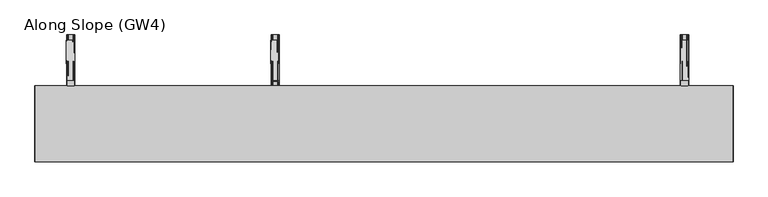
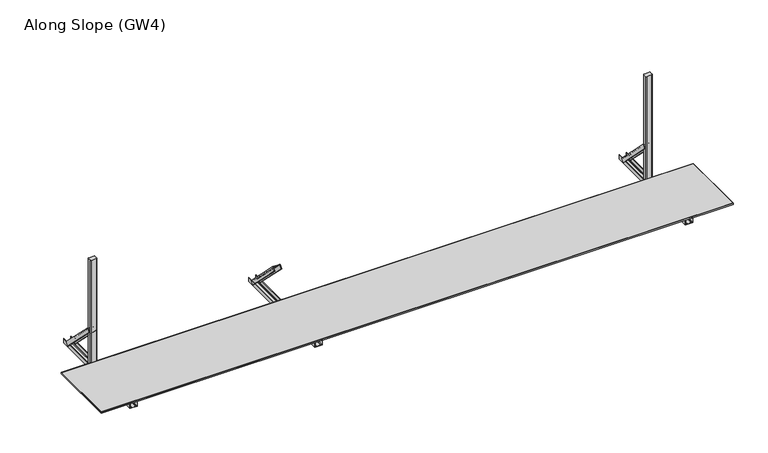
"""IFC4 building model written with IfcOpenShell, lengths in millimetres: proxy geometry, Along Slope (GW4)."""

from ifc_helpers import new_model, si_unit, point, frame, frame_2d, origin, origin_with_axes, place, context, project, spatial, polyline, circle_curve, trimmed, segment, composite_curve, outline, extrude, source, transform, mapped, element, save
from ifc_brep_helpers import plane_surface, extruded_surface, advanced_brep


def along_slope_gw4_51be6fbc(model_context):
    return source(origin(), model_context, "Body", "SolidModel", [
        advanced_brep(
        [(1857.1666667, 956.2087394, 38.0000002), (1922.1666667, 956.2087394, 38.0000002), (1922.1666667, 930.3993419, 12.1906027), (1919.1666667, 930.3993419, 12.1906027), (1919.1666667, 954.0874191, 35.8786799), (1909.1666667, 954.0874191, 35.8786799), (1909.1666667, 952.3196521, 34.110913), (1908.1666667, 952.3196521, 34.110913), (1908.1666667, 954.0874191, 35.8786799), (1871.1666667, 954.0874191, 35.8786799), (1871.1666667, 952.3196521, 34.110913), (1870.1666667, 952.3196521, 34.110913), (1870.1666667, 954.0874191, 35.8786799), (1860.1666667, 954.0874191, 35.8786799), (1860.1666667, 930.3993419, 12.1906027), (1857.1666667, 930.3993419, 12.1906027), (1860.1666667, 638.0106879, 356.1980518), (1860.1666667, 612.2012904, 330.3886543), (1863.1666667, 612.2012904, 330.3886543), (1863.1666667, 635.8893676, 354.0767314), (1873.1666667, 635.8893676, 354.0767314), (1873.1666667, 634.1216006, 352.3089645), (1874.1666667, 634.1216006, 352.3089645), (1874.1666667, 635.8893676, 354.0767314), (1911.1666667, 635.8893676, 354.0767314), (1911.1666667, 634.1216006, 352.3089645), (1912.1666667, 634.1216006, 352.3089645), (1912.1666667, 635.8893676, 354.0767314), (1922.1666667, 635.8893676, 354.0767314), (1922.1666667, 612.2012904, 330.3886543), (1925.1666667, 612.2012904, 330.3886543), (1925.1666667, 638.0106879, 356.1980518)],
        [
            (0, 1),
            (1, 2),
            (2, 3, circle_curve(frame((1920.6666667, 930.3993419, 12.1906027), z_axis=(0.0, 0.7071067811865434, -0.7071067811865518), x_axis=(0.0, -0.7071067811865518, -0.7071067811865434)), 1.5)),
            (3, 4),
            (4, 5),
            (5, 6),
            (6, 7, circle_curve(frame((1908.6666667, 952.3196521, 34.110913), z_axis=(0.0, 0.7071067811865434, -0.7071067811865518), x_axis=(0.0, -0.7071067811865518, -0.7071067811865434)), 0.5)),
            (7, 8),
            (8, 9),
            (9, 10),
            (10, 11, circle_curve(frame((1870.6666667, 952.3196521, 34.110913), z_axis=(0.0, 0.7071067811865434, -0.7071067811865518), x_axis=(0.0, -0.7071067811865518, -0.7071067811865434)), 0.5)),
            (11, 12),
            (12, 13),
            (13, 14),
            (14, 15, circle_curve(frame((1858.6666667, 930.3993419, 12.1906027), z_axis=(0.0, 0.7071067811865434, -0.7071067811865518), x_axis=(0.0, -0.7071067811865518, -0.7071067811865434)), 1.5)),
            (15, 0),
            (16, 17),
            (17, 18, circle_curve(frame((1861.6666667, 612.2012904, 330.3886543), z_axis=(0.0, -0.7071067811865434, 0.7071067811865518), x_axis=(0.0, -0.7071067811865518, -0.7071067811865434)), 1.5)),
            (18, 19),
            (19, 20),
            (20, 21),
            (21, 22, circle_curve(frame((1873.6666667, 634.1216006, 352.3089645), z_axis=(0.0, -0.7071067811865434, 0.7071067811865518), x_axis=(0.0, -0.7071067811865518, -0.7071067811865434)), 0.5)),
            (22, 23),
            (23, 24),
            (24, 25),
            (25, 26, circle_curve(frame((1911.6666667, 634.1216006, 352.3089645), z_axis=(0.0, -0.7071067811865434, 0.7071067811865518), x_axis=(0.0, -0.7071067811865518, -0.7071067811865434)), 0.5)),
            (26, 27),
            (27, 28),
            (28, 29),
            (29, 30, circle_curve(frame((1923.6666667, 612.2012904, 330.3886543), z_axis=(0.0, -0.7071067811865434, 0.7071067811865518), x_axis=(0.0, -0.7071067811865518, -0.7071067811865434)), 1.5)),
            (30, 31),
            (31, 16),
            (16, 0),
            (15, 17),
            (14, 18),
            (13, 19),
            (12, 20),
            (11, 21),
            (10, 22),
            (9, 23),
            (8, 24),
            (7, 25),
            (6, 26),
            (5, 27),
            (4, 28),
            (3, 29),
            (2, 30),
            (1, 31),
        ],
        [
            plane_surface(frame((1889.6666667, 947.9886231, 29.7798839), z_axis=(0.0, 0.7071067811865431, -0.7071067811865519), x_axis=(0.0, -0.7071067811865519, -0.7071067811865431))),
            plane_surface(frame((1892.6666667, 629.7905716, 347.9779354), z_axis=(0.0, -0.7071067811865432, 0.7071067811865518), x_axis=(0.0, -0.7071067811865518, -0.7071067811865432))),
            plane_surface(frame((1860.1666667, 625.1059891, 343.293353), z_axis=(-0.9999777785184911, -0.004713940454842056, 0.00471394045484199), x_axis=(0.0, -0.7071067811865519, -0.7071067811865431))),
            extruded_surface(trimmed(circle_curve(frame((1858.6666667, 930.3993419, 12.1906027), z_axis=(0.0, -0.7071067811865434, 0.7071067811865518), x_axis=(0.0, -0.7071067811865518, -0.7071067811865434)), 1.5), [point((1857.1666667, 930.3993419, 12.1906027))], [point((1860.1666667, 930.3993419, 12.1906027))], True, "CARTESIAN"), (3.0, -318.1980515, 318.1980516), 450.0099999115941),
            plane_surface(frame((1863.1666667, 624.045329, 342.2326929), z_axis=(0.9999777785184913, 0.004713940454842056, -0.004713940454841989), x_axis=(0.0, 0.707106781186552, 0.7071067811865432))),
            plane_surface(frame((1868.1666667, 635.8893676, 354.0767314), z_axis=(0.0, -0.7071067811865522, -0.7071067811865428), x_axis=(1.0, 0.0, 0.0))),
            plane_surface(frame((1873.1666667, 635.0054841, 353.192848), z_axis=(-0.9999777785184911, -0.004713940454842032, 0.004713940454842015), x_axis=(0.0, -0.7071067811865557, -0.7071067811865394))),
            extruded_surface(trimmed(circle_curve(frame((1870.6666667, 952.3196521, 34.110913), z_axis=(0.0, -0.7071067811865434, 0.7071067811865518), x_axis=(0.0, -0.7071067811865518, -0.7071067811865434)), 0.5), [point((1870.1666667, 952.3196521, 34.110913))], [point((1871.1666667, 952.3196521, 34.110913))], True, "CARTESIAN"), (3.0, -318.1980515, 318.1980515), 450.00999984088503),
            plane_surface(frame((1874.1666667, 635.0054841, 353.192848), z_axis=(0.9999777785184911, 0.004713940454842046, -0.004713940454842029), x_axis=(0.0, 0.7071067811865557, 0.7071067811865394))),
            plane_surface(frame((1892.6666667, 635.8893676, 354.0767314), z_axis=(0.0, -0.7071067811865522, -0.7071067811865428), x_axis=(1.0, 0.0, 0.0))),
            plane_surface(frame((1911.1666667, 635.0054841, 353.192848), z_axis=(-0.9999777785184911, -0.004713940454842039, 0.004713940454842022), x_axis=(0.0, -0.7071067811865557, -0.7071067811865394))),
            extruded_surface(trimmed(circle_curve(frame((1908.6666667, 952.3196521, 34.110913), z_axis=(0.0, -0.7071067811865434, 0.7071067811865518), x_axis=(0.0, -0.7071067811865518, -0.7071067811865434)), 0.5), [point((1908.1666667, 952.3196521, 34.110913))], [point((1909.1666667, 952.3196521, 34.110913))], True, "CARTESIAN"), (3.0, -318.1980515, 318.1980515), 450.00999984088503),
            plane_surface(frame((1912.1666667, 635.0054841, 353.192848), z_axis=(0.9999777785184911, 0.004713940454842066, -0.004713940454841993), x_axis=(0.0, 0.7071067811865515, 0.7071067811865436))),
            plane_surface(frame((1917.1666667, 635.8893676, 354.0767314), z_axis=(0.0, -0.707106781186552, -0.707106781186543), x_axis=(1.0, 0.0, 0.0))),
            plane_surface(frame((1922.1666667, 624.045329, 342.2326929), z_axis=(-0.9999777785184913, -0.004713940454842063, 0.004713940454841996), x_axis=(0.0, -0.707106781186552, -0.7071067811865432))),
            extruded_surface(trimmed(circle_curve(frame((1920.6666667, 930.3993419, 12.1906027), z_axis=(0.0, -0.7071067811865434, 0.7071067811865518), x_axis=(0.0, -0.7071067811865518, -0.7071067811865434)), 1.5), [point((1919.1666667, 930.3993419, 12.1906027))], [point((1922.1666667, 930.3993419, 12.1906027))], True, "CARTESIAN"), (3.0, -318.1980515, 318.1980516), 450.0099999115941),
            plane_surface(frame((1925.1666667, 625.1059891, 343.293353), z_axis=(0.9999777785184911, 0.004713940454842065, -0.0047139404548419955), x_axis=(0.0, 0.7071067811865517, 0.7071067811865434))),
            plane_surface(frame((1892.6666667, 638.0106879, 356.1980518), z_axis=(0.0, 0.7071067811865523, 0.7071067811865427), x_axis=(-1.0, 0.0, 0.0))),
        ],
        [
            (0, [[1, 2, 3, 4, 5, 6, 7, 8, 9, 10, 11, 12, 13, 14, 15, 16]]),
            (1, [[17, 18, 19, 20, 21, 22, 23, 24, 25, 26, 27, 28, 29, 30, 31, 32]]),
            (2, [[33, -16, 34, -17]]),
            (3, [[-34, -15, 35, -18]]),
            (4, [[-35, -14, 36, -19]]),
            (5, [[-36, -13, 37, -20]]),
            (6, [[-37, -12, 38, -21]]),
            (7, [[-38, -11, 39, -22]]),
            (8, [[-39, -10, 40, -23]]),
            (9, [[-40, -9, 41, -24]]),
            (10, [[-41, -8, 42, -25]]),
            (11, [[-42, -7, 43, -26]]),
            (12, [[-43, -6, 44, -27]]),
            (13, [[-44, -5, 45, -28]]),
            (14, [[-45, -4, 46, -29]]),
            (15, [[-46, -3, 47, -30]]),
            (16, [[-47, -2, 48, -31]]),
            (17, [[-48, -1, -33, -32]]),
        ],
    ),
        extrude(outline(composite_curve([segment(polyline([(2e-07, 1860.1666667), (2e-07, 1925.1666667), (36.5000002, 1925.1666667)]), True, "CONTINUOUS"), segment(trimmed(circle_curve(frame_2d((36.5000002, 1923.6666667)), 1.5), [point((36.5000002, 1925.1666667))], [point((36.5000002, 1922.1666667))], False, "CARTESIAN"), True, "CONTINUOUS"), segment(polyline([(36.5000002, 1922.1666667), (3.0000002, 1922.1666667), (3.0000002, 1912.1666667), (5.5000002, 1912.1666667)]), True, "CONTINUOUS"), segment(trimmed(circle_curve(frame_2d((5.5000002, 1911.6666667)), 0.5), [point((5.5000002, 1912.1666667))], [point((5.5000002, 1911.1666667))], False, "CARTESIAN"), True, "CONTINUOUS"), segment(polyline([(5.5000002, 1911.1666667), (3.0000002, 1911.1666667), (3.0000002, 1874.1666667), (5.5000002, 1874.1666667)]), True, "CONTINUOUS"), segment(trimmed(circle_curve(frame_2d((5.5000002, 1873.6666667)), 0.5), [point((5.5000002, 1874.1666667))], [point((5.5000002, 1873.1666667))], False, "CARTESIAN"), True, "CONTINUOUS"), segment(polyline([(5.5000002, 1873.1666667), (3.0000002, 1873.1666667), (3.0000002, 1863.1666667), (36.5000002, 1863.1666667)]), True, "CONTINUOUS"), segment(trimmed(circle_curve(frame_2d((36.5000002, 1861.6666667)), 1.5), [point((36.5000002, 1863.1666667))], [point((36.5000002, 1860.1666667))], False, "CARTESIAN"), True, "CONTINUOUS"), segment(polyline([(36.5000002, 1860.1666667), (2e-07, 1860.1666667)]), True, "CONTINUOUS")], self_intersect=False)), frame((0.0, 0.0, 0.0), z_axis=(0.0, 1.0, 0.0), x_axis=(0.0, 0.0, 1.0)), (0.0, 0.0, 1.0), 1000.0),
        extrude(outline(composite_curve([segment(polyline([(5140.5, 600.0), (5094.5, 600.0)]), True, "CONTINUOUS"), segment(trimmed(circle_curve(frame_2d((5094.5, 605.0)), 5.0), [point((5094.5, 600.0))], [point((5089.5, 605.0))], False, "CARTESIAN"), True, "CONTINUOUS"), segment(polyline([(5089.5, 605.0), (5089.5, 633.0)]), True, "CONTINUOUS"), segment(trimmed(circle_curve(frame_2d((5094.5, 633.0)), 5.0), [point((5089.5, 633.0))], [point((5094.5, 638.0))], False, "CARTESIAN"), True, "CONTINUOUS"), segment(polyline([(5094.5, 638.0), (5140.5, 638.0)]), True, "CONTINUOUS"), segment(trimmed(circle_curve(frame_2d((5140.5, 633.0)), 5.0), [point((5140.5, 638.0))], [point((5145.5, 633.0))], False, "CARTESIAN"), True, "CONTINUOUS"), segment(polyline([(5145.5, 633.0), (5145.5, 605.0)]), True, "CONTINUOUS"), segment(trimmed(circle_curve(frame_2d((5140.5, 605.0)), 5.0), [point((5145.5, 605.0))], [point((5140.5, 600.0))], False, "CARTESIAN"), True, "CONTINUOUS")], self_intersect=False)), origin_with_axes(), (0.0, 0.0, 1.0), 998.0),
        advanced_brep(
        [(5082.0, 956.2087394, 38.0), (5147.0, 956.2087394, 38.0), (5147.0, 930.3993419, 12.1906025), (5144.0, 930.3993419, 12.1906025), (5144.0, 954.0874191, 35.8786797), (5134.0, 954.0874191, 35.8786797), (5134.0, 952.3196521, 34.1109127), (5133.0, 952.3196521, 34.1109127), (5133.0, 954.0874191, 35.8786797), (5096.0, 954.0874191, 35.8786797), (5096.0, 952.3196521, 34.1109127), (5095.0, 952.3196521, 34.1109127), (5095.0, 954.0874191, 35.8786797), (5085.0, 954.0874191, 35.8786797), (5085.0, 930.3993419, 12.1906025), (5082.0, 930.3993419, 12.1906025), (5085.0, 638.0106879, 356.1980516), (5085.0, 612.2012904, 330.3886541), (5088.0, 612.2012904, 330.3886541), (5088.0, 635.8893676, 354.0767312), (5098.0, 635.8893676, 354.0767312), (5098.0, 634.1216006, 352.3089643), (5099.0, 634.1216006, 352.3089643), (5099.0, 635.8893676, 354.0767312), (5136.0, 635.8893676, 354.0767312), (5136.0, 634.1216006, 352.3089643), (5137.0, 634.1216006, 352.3089643), (5137.0, 635.8893676, 354.0767312), (5147.0, 635.8893676, 354.0767312), (5147.0, 612.2012904, 330.3886541), (5150.0, 612.2012904, 330.3886541), (5150.0, 638.0106879, 356.1980516)],
        [
            (0, 1),
            (1, 2),
            (2, 3, circle_curve(frame((5145.5, 930.3993419, 12.1906025), z_axis=(0.0, 0.7071067811865434, -0.7071067811865518), x_axis=(0.0, -0.7071067811865518, -0.7071067811865434)), 1.5)),
            (3, 4),
            (4, 5),
            (5, 6),
            (6, 7, circle_curve(frame((5133.5, 952.3196521, 34.1109127), z_axis=(0.0, 0.7071067811865434, -0.7071067811865518), x_axis=(0.0, -0.7071067811865518, -0.7071067811865434)), 0.5)),
            (7, 8),
            (8, 9),
            (9, 10),
            (10, 11, circle_curve(frame((5095.5, 952.3196521, 34.1109127), z_axis=(0.0, 0.7071067811865434, -0.7071067811865518), x_axis=(0.0, -0.7071067811865518, -0.7071067811865434)), 0.5)),
            (11, 12),
            (12, 13),
            (13, 14),
            (14, 15, circle_curve(frame((5083.5, 930.3993419, 12.1906025), z_axis=(0.0, 0.7071067811865434, -0.7071067811865518), x_axis=(0.0, -0.7071067811865518, -0.7071067811865434)), 1.5)),
            (15, 0),
            (16, 17),
            (17, 18, circle_curve(frame((5086.5, 612.2012904, 330.3886541), z_axis=(0.0, -0.7071067811865434, 0.7071067811865518), x_axis=(0.0, -0.7071067811865518, -0.7071067811865434)), 1.5)),
            (18, 19),
            (19, 20),
            (20, 21),
            (21, 22, circle_curve(frame((5098.5, 634.1216006, 352.3089643), z_axis=(0.0, -0.7071067811865434, 0.7071067811865518), x_axis=(0.0, -0.7071067811865518, -0.7071067811865434)), 0.5)),
            (22, 23),
            (23, 24),
            (24, 25),
            (25, 26, circle_curve(frame((5136.5, 634.1216006, 352.3089643), z_axis=(0.0, -0.7071067811865434, 0.7071067811865518), x_axis=(0.0, -0.7071067811865518, -0.7071067811865434)), 0.5)),
            (26, 27),
            (27, 28),
            (28, 29),
            (29, 30, circle_curve(frame((5148.5, 612.2012904, 330.3886541), z_axis=(0.0, -0.7071067811865434, 0.7071067811865518), x_axis=(0.0, -0.7071067811865518, -0.7071067811865434)), 1.5)),
            (30, 31),
            (31, 16),
            (16, 0),
            (15, 17),
            (14, 18),
            (13, 19),
            (12, 20),
            (11, 21),
            (10, 22),
            (9, 23),
            (8, 24),
            (7, 25),
            (6, 26),
            (5, 27),
            (4, 28),
            (3, 29),
            (2, 30),
            (1, 31),
        ],
        [
            plane_surface(frame((5114.5, 947.9886231, 29.7798837), z_axis=(0.0, 0.7071067811865431, -0.7071067811865519), x_axis=(0.0, -0.7071067811865519, -0.7071067811865431))),
            plane_surface(frame((5117.5, 629.7905716, 347.9779352), z_axis=(0.0, -0.7071067811865432, 0.7071067811865518), x_axis=(0.0, -0.7071067811865518, -0.7071067811865432))),
            plane_surface(frame((5085.0, 625.1059891, 343.2933528), z_axis=(-0.9999777785184911, -0.004713940454842056, 0.00471394045484199), x_axis=(0.0, -0.7071067811865519, -0.7071067811865431))),
            extruded_surface(trimmed(circle_curve(frame((5083.5, 930.3993419, 12.1906025), z_axis=(0.0, -0.7071067811865434, 0.7071067811865518), x_axis=(0.0, -0.7071067811865518, -0.7071067811865434)), 1.5), [point((5082.0, 930.3993419, 12.1906025))], [point((5085.0, 930.3993419, 12.1906025))], True, "CARTESIAN"), (3.0, -318.1980515, 318.1980516), 450.0099999115941),
            plane_surface(frame((5088.0, 624.045329, 342.2326926), z_axis=(0.9999777785184913, 0.004713940454842056, -0.004713940454841989), x_axis=(0.0, 0.707106781186552, 0.7071067811865432))),
            plane_surface(frame((5093.0, 635.8893676, 354.0767312), z_axis=(0.0, -0.7071067811865522, -0.7071067811865428), x_axis=(1.0, 0.0, 0.0))),
            plane_surface(frame((5098.0, 635.0054841, 353.1928478), z_axis=(-0.9999777785184911, -0.004713940454842032, 0.004713940454842015), x_axis=(0.0, -0.7071067811865557, -0.7071067811865394))),
            extruded_surface(trimmed(circle_curve(frame((5095.5, 952.3196521, 34.1109127), z_axis=(0.0, -0.7071067811865434, 0.7071067811865518), x_axis=(0.0, -0.7071067811865518, -0.7071067811865434)), 0.5), [point((5095.0, 952.3196521, 34.1109127))], [point((5096.0, 952.3196521, 34.1109127))], True, "CARTESIAN"), (3.0, -318.1980515, 318.1980516), 450.0099999115941),
            plane_surface(frame((5099.0, 635.0054841, 353.1928478), z_axis=(0.9999777785184911, 0.004713940454842046, -0.004713940454842029), x_axis=(0.0, 0.7071067811865557, 0.7071067811865394))),
            plane_surface(frame((5117.5, 635.8893676, 354.0767312), z_axis=(0.0, -0.7071067811865522, -0.7071067811865428), x_axis=(1.0, 0.0, 0.0))),
            plane_surface(frame((5136.0, 635.0054841, 353.1928478), z_axis=(-0.9999777785184911, -0.004713940454842039, 0.004713940454842022), x_axis=(0.0, -0.7071067811865557, -0.7071067811865394))),
            extruded_surface(trimmed(circle_curve(frame((5133.5, 952.3196521, 34.1109127), z_axis=(0.0, -0.7071067811865434, 0.7071067811865518), x_axis=(0.0, -0.7071067811865518, -0.7071067811865434)), 0.5), [point((5133.0, 952.3196521, 34.1109127))], [point((5134.0, 952.3196521, 34.1109127))], True, "CARTESIAN"), (3.0, -318.1980515, 318.1980516), 450.0099999115941),
            plane_surface(frame((5137.0, 635.0054841, 353.1928478), z_axis=(0.9999777785184911, 0.004713940454842066, -0.004713940454841993), x_axis=(0.0, 0.7071067811865515, 0.7071067811865436))),
            plane_surface(frame((5142.0, 635.8893676, 354.0767312), z_axis=(0.0, -0.707106781186552, -0.707106781186543), x_axis=(1.0, 0.0, 0.0))),
            plane_surface(frame((5147.0, 624.045329, 342.2326926), z_axis=(-0.9999777785184913, -0.004713940454842063, 0.004713940454841996), x_axis=(0.0, -0.707106781186552, -0.7071067811865432))),
            extruded_surface(trimmed(circle_curve(frame((5145.5, 930.3993419, 12.1906025), z_axis=(0.0, -0.7071067811865434, 0.7071067811865518), x_axis=(0.0, -0.7071067811865518, -0.7071067811865434)), 1.5), [point((5144.0, 930.3993419, 12.1906025))], [point((5147.0, 930.3993419, 12.1906025))], True, "CARTESIAN"), (3.0, -318.1980515, 318.1980516), 450.0099999115941),
            plane_surface(frame((5150.0, 625.1059891, 343.2933528), z_axis=(0.9999777785184911, 0.004713940454842065, -0.0047139404548419955), x_axis=(0.0, 0.7071067811865517, 0.7071067811865434))),
            plane_surface(frame((5117.5, 638.0106879, 356.1980516), z_axis=(0.0, 0.7071067811865523, 0.7071067811865427), x_axis=(-1.0, 0.0, 0.0))),
        ],
        [
            (0, [[1, 2, 3, 4, 5, 6, 7, 8, 9, 10, 11, 12, 13, 14, 15, 16]]),
            (1, [[17, 18, 19, 20, 21, 22, 23, 24, 25, 26, 27, 28, 29, 30, 31, 32]]),
            (2, [[33, -16, 34, -17]]),
            (3, [[-34, -15, 35, -18]]),
            (4, [[-35, -14, 36, -19]]),
            (5, [[-36, -13, 37, -20]]),
            (6, [[-37, -12, 38, -21]]),
            (7, [[-38, -11, 39, -22]]),
            (8, [[-39, -10, 40, -23]]),
            (9, [[-40, -9, 41, -24]]),
            (10, [[-41, -8, 42, -25]]),
            (11, [[-42, -7, 43, -26]]),
            (12, [[-43, -6, 44, -27]]),
            (13, [[-44, -5, 45, -28]]),
            (14, [[-45, -4, 46, -29]]),
            (15, [[-46, -3, 47, -30]]),
            (16, [[-47, -2, 48, -31]]),
            (17, [[-48, -1, -33, -32]]),
        ],
    ),
        extrude(outline(composite_curve([segment(polyline([(0.0, 5085.0), (0.0, 5150.0), (36.5, 5150.0)]), True, "CONTINUOUS"), segment(trimmed(circle_curve(frame_2d((36.5, 5148.5)), 1.5), [point((36.5, 5150.0))], [point((36.5, 5147.0))], False, "CARTESIAN"), True, "CONTINUOUS"), segment(polyline([(36.5, 5147.0), (3.0, 5147.0), (3.0, 5137.0), (5.5, 5137.0)]), True, "CONTINUOUS"), segment(trimmed(circle_curve(frame_2d((5.5, 5136.5)), 0.5), [point((5.5, 5137.0))], [point((5.5, 5136.0))], False, "CARTESIAN"), True, "CONTINUOUS"), segment(polyline([(5.5, 5136.0), (3.0, 5136.0), (3.0, 5099.0), (5.5, 5099.0)]), True, "CONTINUOUS"), segment(trimmed(circle_curve(frame_2d((5.5, 5098.5)), 0.5), [point((5.5, 5099.0))], [point((5.5, 5098.0))], False, "CARTESIAN"), True, "CONTINUOUS"), segment(polyline([(5.5, 5098.0), (3.0, 5098.0), (3.0, 5088.0), (36.5, 5088.0)]), True, "CONTINUOUS"), segment(trimmed(circle_curve(frame_2d((36.5, 5086.5)), 1.5), [point((36.5, 5088.0))], [point((36.5, 5085.0))], False, "CARTESIAN"), True, "CONTINUOUS"), segment(polyline([(36.5, 5085.0), (0.0, 5085.0)]), True, "CONTINUOUS")], self_intersect=False)), frame((0.0, 0.0, 0.0), z_axis=(0.0, 1.0, 0.0), x_axis=(0.0, 0.0, 1.0)), (0.0, 0.0, 1.0), 1000.0),
        extrude(outline(composite_curve([segment(polyline([(305.5, 600.0), (259.5, 600.0)]), True, "CONTINUOUS"), segment(trimmed(circle_curve(frame_2d((259.5, 605.0)), 5.0), [point((259.5, 600.0))], [point((254.5, 605.0))], False, "CARTESIAN"), True, "CONTINUOUS"), segment(polyline([(254.5, 605.0), (254.5, 633.0)]), True, "CONTINUOUS"), segment(trimmed(circle_curve(frame_2d((259.5, 633.0)), 5.0), [point((254.5, 633.0))], [point((259.5, 638.0))], False, "CARTESIAN"), True, "CONTINUOUS"), segment(polyline([(259.5, 638.0), (305.5, 638.0)]), True, "CONTINUOUS"), segment(trimmed(circle_curve(frame_2d((305.5, 633.0)), 5.0), [point((305.5, 638.0))], [point((310.5, 633.0))], False, "CARTESIAN"), True, "CONTINUOUS"), segment(polyline([(310.5, 633.0), (310.5, 605.0)]), True, "CONTINUOUS"), segment(trimmed(circle_curve(frame_2d((305.5, 605.0)), 5.0), [point((310.5, 605.0))], [point((305.5, 600.0))], False, "CARTESIAN"), True, "CONTINUOUS")], self_intersect=False)), origin_with_axes(), (0.0, 0.0, 1.0), 998.0),
        advanced_brep(
        [(247.0, 956.2087394, 38.0), (312.0, 956.2087394, 38.0), (312.0, 930.3993419, 12.1906025), (309.0, 930.3993419, 12.1906025), (309.0, 954.0874191, 35.8786797), (299.0, 954.0874191, 35.8786797), (299.0, 952.3196521, 34.1109127), (298.0, 952.3196521, 34.1109127), (298.0, 954.0874191, 35.8786797), (261.0, 954.0874191, 35.8786797), (261.0, 952.3196521, 34.1109127), (260.0, 952.3196521, 34.1109127), (260.0, 954.0874191, 35.8786797), (250.0, 954.0874191, 35.8786797), (250.0, 930.3993419, 12.1906025), (247.0, 930.3993419, 12.1906025), (250.0, 638.0106879, 356.1980515), (250.0, 612.2012904, 330.388654), (253.0, 612.2012904, 330.388654), (253.0, 635.8893676, 354.0767312), (263.0, 635.8893676, 354.0767312), (263.0, 634.1216006, 352.3089642), (264.0, 634.1216006, 352.3089642), (264.0, 635.8893676, 354.0767312), (301.0, 635.8893676, 354.0767312), (301.0, 634.1216006, 352.3089642), (302.0, 634.1216006, 352.3089642), (302.0, 635.8893676, 354.0767312), (312.0, 635.8893676, 354.0767312), (312.0, 612.2012904, 330.388654), (315.0, 612.2012904, 330.388654), (315.0, 638.0106879, 356.1980515)],
        [
            (0, 1),
            (1, 2),
            (2, 3, circle_curve(frame((310.5, 930.3993419, 12.1906025), z_axis=(0.0, 0.7071067811865434, -0.7071067811865518), x_axis=(0.0, -0.7071067811865518, -0.7071067811865434)), 1.5)),
            (3, 4),
            (4, 5),
            (5, 6),
            (6, 7, circle_curve(frame((298.5, 952.3196521, 34.1109127), z_axis=(0.0, 0.7071067811865434, -0.7071067811865518), x_axis=(0.0, -0.7071067811865518, -0.7071067811865434)), 0.5)),
            (7, 8),
            (8, 9),
            (9, 10),
            (10, 11, circle_curve(frame((260.5, 952.3196521, 34.1109127), z_axis=(0.0, 0.7071067811865434, -0.7071067811865518), x_axis=(0.0, -0.7071067811865518, -0.7071067811865434)), 0.5)),
            (11, 12),
            (12, 13),
            (13, 14),
            (14, 15, circle_curve(frame((248.5, 930.3993419, 12.1906025), z_axis=(0.0, 0.7071067811865434, -0.7071067811865518), x_axis=(0.0, -0.7071067811865518, -0.7071067811865434)), 1.5)),
            (15, 0),
            (16, 17),
            (17, 18, circle_curve(frame((251.5, 612.2012904, 330.388654), z_axis=(0.0, -0.7071067811865434, 0.7071067811865518), x_axis=(0.0, -0.7071067811865518, -0.7071067811865434)), 1.5)),
            (18, 19),
            (19, 20),
            (20, 21),
            (21, 22, circle_curve(frame((263.5, 634.1216006, 352.3089642), z_axis=(0.0, -0.7071067811865434, 0.7071067811865518), x_axis=(0.0, -0.7071067811865518, -0.7071067811865434)), 0.5)),
            (22, 23),
            (23, 24),
            (24, 25),
            (25, 26, circle_curve(frame((301.5, 634.1216006, 352.3089642), z_axis=(0.0, -0.7071067811865434, 0.7071067811865518), x_axis=(0.0, -0.7071067811865518, -0.7071067811865434)), 0.5)),
            (26, 27),
            (27, 28),
            (28, 29),
            (29, 30, circle_curve(frame((313.5, 612.2012904, 330.388654), z_axis=(0.0, -0.7071067811865434, 0.7071067811865518), x_axis=(0.0, -0.7071067811865518, -0.7071067811865434)), 1.5)),
            (30, 31),
            (31, 16),
            (16, 0),
            (15, 17),
            (14, 18),
            (13, 19),
            (12, 20),
            (11, 21),
            (10, 22),
            (9, 23),
            (8, 24),
            (7, 25),
            (6, 26),
            (5, 27),
            (4, 28),
            (3, 29),
            (2, 30),
            (1, 31),
        ],
        [
            plane_surface(frame((279.5, 947.9886231, 29.7798837), z_axis=(0.0, 0.7071067811865431, -0.7071067811865519), x_axis=(0.0, -0.7071067811865519, -0.7071067811865431))),
            plane_surface(frame((282.5, 629.7905716, 347.9779352), z_axis=(0.0, -0.7071067811865432, 0.7071067811865518), x_axis=(0.0, -0.7071067811865518, -0.7071067811865432))),
            plane_surface(frame((250.0, 625.1059891, 343.2933528), z_axis=(-0.9999777785184911, -0.004713940454842056, 0.00471394045484199), x_axis=(0.0, -0.7071067811865519, -0.7071067811865431))),
            extruded_surface(trimmed(circle_curve(frame((248.5, 930.3993419, 12.1906025), z_axis=(0.0, -0.7071067811865434, 0.7071067811865518), x_axis=(0.0, -0.7071067811865518, -0.7071067811865434)), 1.5), [point((247.0, 930.3993419, 12.1906025))], [point((250.0, 930.3993419, 12.1906025))], True, "CARTESIAN"), (3.0, -318.1980515, 318.19805149999996), 450.009999840885),
            plane_surface(frame((253.0, 624.045329, 342.2326926), z_axis=(0.9999777785184913, 0.004713940454842056, -0.004713940454841989), x_axis=(0.0, 0.707106781186552, 0.7071067811865432))),
            plane_surface(frame((258.0, 635.8893676, 354.0767312), z_axis=(0.0, -0.7071067811865522, -0.7071067811865428), x_axis=(1.0, 0.0, 0.0))),
            plane_surface(frame((263.0, 635.0054841, 353.1928477), z_axis=(-0.9999777785184911, -0.004713940454842032, 0.004713940454842015), x_axis=(0.0, -0.7071067811865557, -0.7071067811865394))),
            extruded_surface(trimmed(circle_curve(frame((260.5, 952.3196521, 34.1109127), z_axis=(0.0, -0.7071067811865434, 0.7071067811865518), x_axis=(0.0, -0.7071067811865518, -0.7071067811865434)), 0.5), [point((260.0, 952.3196521, 34.1109127))], [point((261.0, 952.3196521, 34.1109127))], True, "CARTESIAN"), (3.0, -318.1980515, 318.1980515), 450.00999984088503),
            plane_surface(frame((264.0, 635.0054841, 353.1928477), z_axis=(0.9999777785184911, 0.004713940454842046, -0.004713940454842029), x_axis=(0.0, 0.7071067811865557, 0.7071067811865394))),
            plane_surface(frame((282.5, 635.8893676, 354.0767312), z_axis=(0.0, -0.7071067811865522, -0.7071067811865428), x_axis=(1.0, 0.0, 0.0))),
            plane_surface(frame((301.0, 635.0054841, 353.1928477), z_axis=(-0.9999777785184911, -0.004713940454842039, 0.004713940454842022), x_axis=(0.0, -0.7071067811865557, -0.7071067811865394))),
            extruded_surface(trimmed(circle_curve(frame((298.5, 952.3196521, 34.1109127), z_axis=(0.0, -0.7071067811865434, 0.7071067811865518), x_axis=(0.0, -0.7071067811865518, -0.7071067811865434)), 0.5), [point((298.0, 952.3196521, 34.1109127))], [point((299.0, 952.3196521, 34.1109127))], True, "CARTESIAN"), (3.0, -318.1980515, 318.1980515), 450.00999984088503),
            plane_surface(frame((302.0, 635.0054841, 353.1928477), z_axis=(0.9999777785184911, 0.004713940454842066, -0.004713940454841993), x_axis=(0.0, 0.7071067811865515, 0.7071067811865436))),
            plane_surface(frame((307.0, 635.8893676, 354.0767312), z_axis=(0.0, -0.707106781186552, -0.707106781186543), x_axis=(1.0, 0.0, 0.0))),
            plane_surface(frame((312.0, 624.045329, 342.2326926), z_axis=(-0.9999777785184913, -0.004713940454842063, 0.004713940454841996), x_axis=(0.0, -0.707106781186552, -0.7071067811865432))),
            extruded_surface(trimmed(circle_curve(frame((310.5, 930.3993419, 12.1906025), z_axis=(0.0, -0.7071067811865434, 0.7071067811865518), x_axis=(0.0, -0.7071067811865518, -0.7071067811865434)), 1.5), [point((309.0, 930.3993419, 12.1906025))], [point((312.0, 930.3993419, 12.1906025))], True, "CARTESIAN"), (3.0, -318.1980515, 318.19805149999996), 450.009999840885),
            plane_surface(frame((315.0, 625.1059891, 343.2933528), z_axis=(0.9999777785184911, 0.004713940454842065, -0.0047139404548419955), x_axis=(0.0, 0.7071067811865517, 0.7071067811865434))),
            plane_surface(frame((282.5, 638.0106879, 356.1980515), z_axis=(0.0, 0.7071067811865523, 0.7071067811865427), x_axis=(-1.0, 0.0, 0.0))),
        ],
        [
            (0, [[1, 2, 3, 4, 5, 6, 7, 8, 9, 10, 11, 12, 13, 14, 15, 16]]),
            (1, [[17, 18, 19, 20, 21, 22, 23, 24, 25, 26, 27, 28, 29, 30, 31, 32]]),
            (2, [[33, -16, 34, -17]]),
            (3, [[-34, -15, 35, -18]]),
            (4, [[-35, -14, 36, -19]]),
            (5, [[-36, -13, 37, -20]]),
            (6, [[-37, -12, 38, -21]]),
            (7, [[-38, -11, 39, -22]]),
            (8, [[-39, -10, 40, -23]]),
            (9, [[-40, -9, 41, -24]]),
            (10, [[-41, -8, 42, -25]]),
            (11, [[-42, -7, 43, -26]]),
            (12, [[-43, -6, 44, -27]]),
            (13, [[-44, -5, 45, -28]]),
            (14, [[-45, -4, 46, -29]]),
            (15, [[-46, -3, 47, -30]]),
            (16, [[-47, -2, 48, -31]]),
            (17, [[-48, -1, -33, -32]]),
        ],
    ),
        extrude(outline(composite_curve([segment(polyline([(0.0, 250.0), (0.0, 315.0), (36.5, 315.0)]), True, "CONTINUOUS"), segment(trimmed(circle_curve(frame_2d((36.5, 313.5)), 1.5), [point((36.5, 315.0))], [point((36.5, 312.0))], False, "CARTESIAN"), True, "CONTINUOUS"), segment(polyline([(36.5, 312.0), (3.0, 312.0), (3.0, 302.0), (5.5, 302.0)]), True, "CONTINUOUS"), segment(trimmed(circle_curve(frame_2d((5.5, 301.5)), 0.5), [point((5.5, 302.0))], [point((5.5, 301.0))], False, "CARTESIAN"), True, "CONTINUOUS"), segment(polyline([(5.5, 301.0), (3.0, 301.0), (3.0, 264.0), (5.5, 264.0)]), True, "CONTINUOUS"), segment(trimmed(circle_curve(frame_2d((5.5, 263.5)), 0.5), [point((5.5, 264.0))], [point((5.5, 263.0))], False, "CARTESIAN"), True, "CONTINUOUS"), segment(polyline([(5.5, 263.0), (3.0, 263.0), (3.0, 253.0), (36.5, 253.0)]), True, "CONTINUOUS"), segment(trimmed(circle_curve(frame_2d((36.5, 251.5)), 1.5), [point((36.5, 253.0))], [point((36.5, 250.0))], False, "CARTESIAN"), True, "CONTINUOUS"), segment(polyline([(36.5, 250.0), (0.0, 250.0)]), True, "CONTINUOUS")], self_intersect=False)), frame((0.0, 0.0, 0.0), z_axis=(0.0, 1.0, 0.0), x_axis=(0.0, 0.0, 1.0)), (0.0, 0.0, 1.0), 1000.0),
        extrude(outline(polyline([(5499.0, 1.0), (1.0, 1.0), (1.0, 599.0), (5499.0, 599.0), (5499.0, 1.0)])), frame((0.0, 0.0, 42.0), z_axis=(0.0, 0.0, 1.0), x_axis=(1.0, 0.0, 0.0)), (0.0, 0.0, 1.0), 13.0),
        extrude(outline(polyline([(5500.0, 0.0), (0.0, 0.0), (0.0, 600.0), (5500.0, 600.0), (5500.0, 0.0)]), holes=[polyline([(5499.0, 1.0), (5499.0, 599.0), (1.0, 599.0), (1.0, 1.0), (5499.0, 1.0)])]), frame((0.0, 0.0, 42.0), z_axis=(0.0, 0.0, 1.0), x_axis=(1.0, 0.0, 0.0)), (0.0, 0.0, 1.0), 13.0),
    ])


if __name__ == "__main__":
    model = new_model("IFC4")
    model_context = context("Model", 3, world=origin())
    ifc_project = project(units=[si_unit("LENGTHUNIT", "METRE", prefix="MILLI")], contexts=[model_context])
    site = spatial("IfcSite", under=ifc_project)
    building = spatial("IfcBuilding", under=site)
    placement = place(None, origin())
    along_slope_gw4_shape = along_slope_gw4_51be6fbc(model_context)
    element("IfcBuildingElementProxy", 1, Name="Along Slope (GW4)", ObjectType="Along Slope (GW4)", at=placement, inside=building, context=model_context, shape_type="MappedRepresentation", body=[
        mapped(along_slope_gw4_shape, transform((0.0, 0.0, 0.0), x_axis=(1.0, 0.0, 0.0), y_axis=(0.0, 1.0, 0.0), z_axis=(0.0, 0.0, 1.0))),
    ])
    save(model, "model.ifc")
